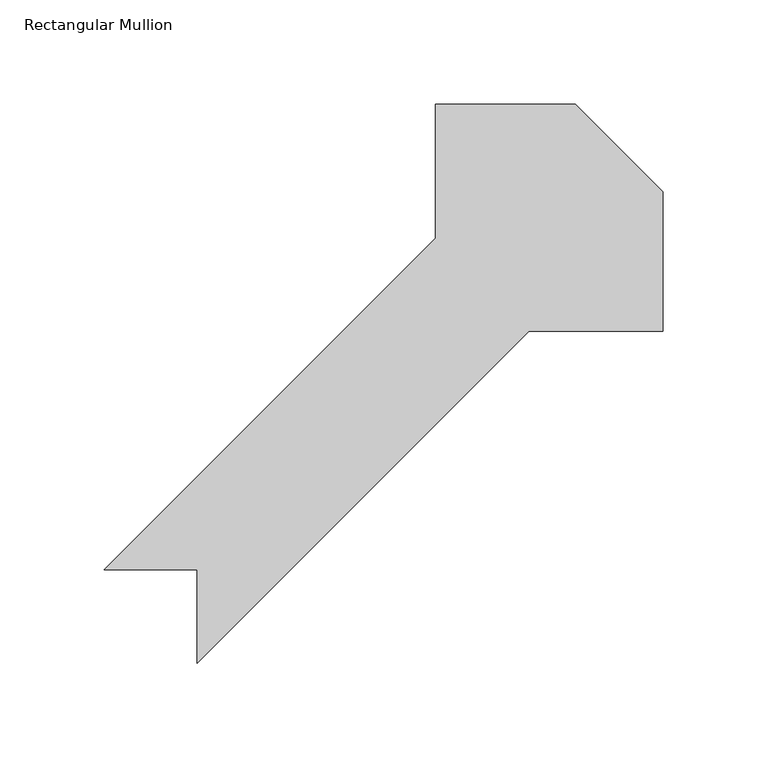
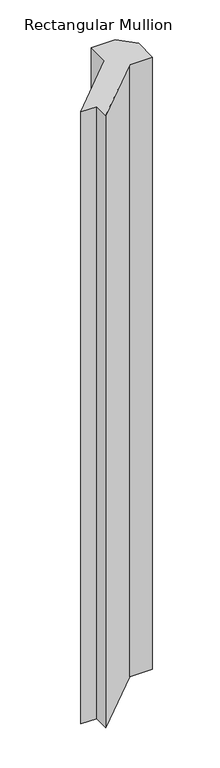
"""IFC4 building model written with IfcOpenShell, lengths in millimetres: member geometry, Rectangular Mullion."""

from ifc_helpers import new_model, si_unit, frame, origin, place, context, project, spatial, polyline, outline, extrude, source, transform, mapped, element, save


def rectangular_mullion_0ce480cb(model_context):
    return source(origin(), model_context, "Body", "SweptSolid", [
        extrude(outline(polyline([(-181.7231891, -226.6700306), (-181.7231891, -181.76875), (-226.6244697, -181.76875), (-67.1770177, -22.321298), (-67.1770177, 42.06875), (0.0477808, 42.06875), (42.1143109, 0.0022199), (42.1143109, -67.2225786), (-22.2757371, -67.2225786), (-181.7231891, -226.6700306)])), frame((0.0, 0.0, -1828.8), z_axis=(0.0, 0.0, 1.0), x_axis=(1.0, 0.0, 0.0)), (0.0, 0.0, 1.0), 1828.8),
    ])


if __name__ == "__main__":
    model = new_model("IFC4")
    model_context = context("Model", 3, world=origin())
    ifc_project = project(units=[si_unit("LENGTHUNIT", "METRE", prefix="MILLI")], contexts=[model_context])
    site = spatial("IfcSite", under=ifc_project)
    building = spatial("IfcBuilding", under=site)
    placement = place(None, origin())
    rectangular_mullion_shape = rectangular_mullion_0ce480cb(model_context)
    element("IfcMember", 1, ObjectType="Rectangular Mullion", at=placement, inside=building, context=model_context, shape_type="MappedRepresentation", body=[
        mapped(rectangular_mullion_shape, transform((0.0, 0.0, 0.0), x_axis=(1.0, 0.0, 0.0), y_axis=(0.0, 1.0, 0.0), z_axis=(0.0, 0.0, 1.0))),
    ])
    save(model, "model.ifc")
